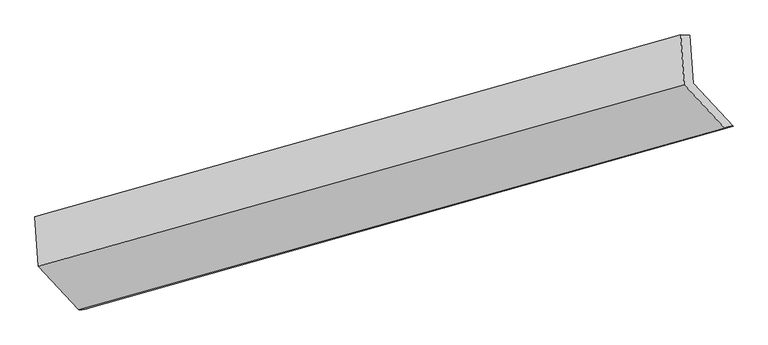
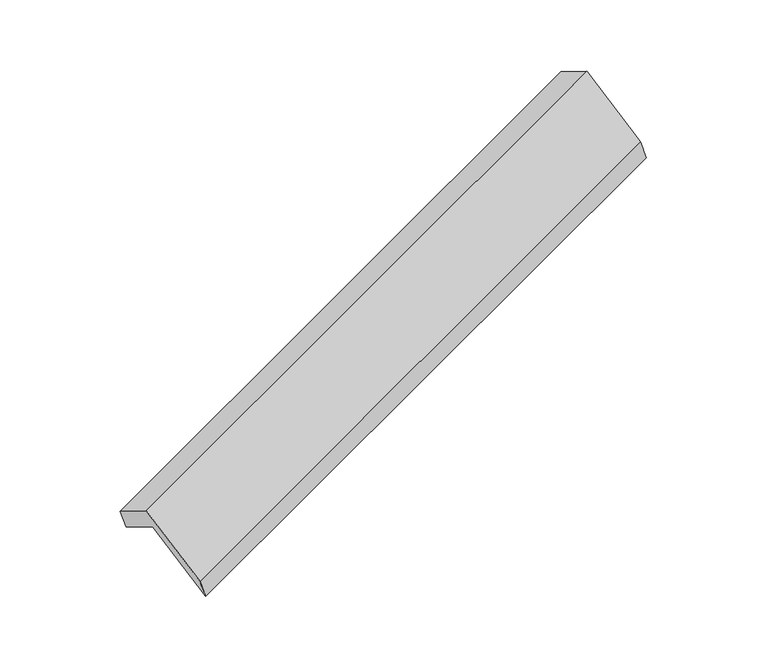
"""IFC4 building model written with IfcOpenShell, lengths in millimetres: proxy geometry."""

from ifc_helpers import new_model, si_unit, frame, origin, place, context, project, spatial, source, transform, mapped, element, save
from ifc_brep_helpers import plane_surface, spline_surface, advanced_brep


def generic_models_4e24a8b9(model_context):
    return source(origin(), model_context, "Body", "AdvancedBrep", [
        advanced_brep(
        [(-5126.9668784, -2138.4851482, 1290.5314928), (-5150.2781744, -1794.1674379, 1088.2872746), (-726.9935988, -564.50399, 2691.7072391), (-704.8478646, -891.6058593, 2883.8392725), (-5207.1217803, -1805.0653447, 1254.9655075), (-788.517987, -562.3819486, 2861.3131379), (-5184.1142498, -2144.8963095, 1454.5743157), (-765.5104565, -902.2129135, 3060.9219461), (-4906.5513531, -2443.7286004, 913.8241179), (-487.9475598, -1201.0452043, 2520.1717483), (-4852.7501365, -2433.7148715, 756.3002998), (-430.6311227, -1186.8355825, 2349.6080795)],
        [
            (0, 1),
            (1, 2),
            (2, 3),
            (3, 0),
            (1, 4),
            (4, 5),
            (5, 2),
            (4, 6),
            (6, 7),
            (7, 5),
            (6, 8),
            (8, 9),
            (9, 7),
            (8, 10),
            (10, 11),
            (11, 9),
            (10, 0),
            (3, 11),
        ],
        [
            plane_surface(frame((-5138.6225264, -1966.3262931, 1189.4093837), z_axis=(0.41167120639252375, -0.440680071966911, -0.7977016309363814), x_axis=(-0.05827808955790422, 0.8607920539994698, -0.5056092404702024))),
            spline_surface(1, 1, [[(-5150.2781744, -1794.1674379, 1088.2872746), (-726.9935988, -564.50399, 2691.7072391)], [(-5207.1217803, -1805.0653447, 1254.9655075), (-788.517987, -562.3819486, 2861.3131379)]], [2, 2], [2, 2], [0.0, 1.0], [0.0, 1.0]),
            plane_surface(frame((-5195.6180151, -1974.9808271, 1354.7699116), z_axis=(-0.4135405129366756, 0.44015552670628433, 0.797024062666859), x_axis=(0.05827808955790514, -0.8607920539994692, 0.5056092404702033))),
            plane_surface(frame((-5045.3328015, -2294.3124549, 1184.1992168), z_axis=(0.05827808955793187, -0.8607920539994669, 0.5056092404702042), x_axis=(0.40980014324342, -0.4412027582008582, -0.7983758317694916))),
            spline_surface(1, 1, [[(-4906.5513531, -2443.7286004, 913.8241179), (-487.9475598, -1201.0452043, 2520.1717483)], [(-4852.7501365, -2433.7148715, 756.3002998), (-430.6311227, -1186.8355825, 2349.6080795)]], [2, 2], [2, 2], [0.0, 1.0], [0.0, 1.0]),
            plane_surface(frame((-4989.8585075, -2286.1000099, 1023.4158963), z_axis=(-0.060149895934499736, 0.8602684806226164, -0.5062806842714068), x_axis=(-0.40980014324342573, 0.44120275820087157, 0.7983758317694812))),
            plane_surface(frame((-650.7414316, -884.7642497, 2727.9269039), z_axis=(0.9103117635596844, 0.25372655739466726, 0.32704025317613095), x_axis=(0.31754842434571884, 0.0787251135516562, -0.9449684411089241))),
            plane_surface(frame((-5071.2970955, -2126.6762854, 1126.4138347), z_axis=(-0.9103117635596838, -0.25372655739467764, -0.32704025317612495), x_axis=(0.40980014324342584, -0.44120275820087157, -0.7983758317694812))),
        ],
        [
            (0, [[1, 2, 3, 4]]),
            (1, [[5, 6, 7, -2]]),
            (2, [[8, 9, 10, -6]]),
            (3, [[11, 12, 13, -9]]),
            (4, [[14, 15, 16, -12]]),
            (5, [[17, -4, 18, -15]]),
            (6, [[-16, -18, -3, -7, -10, -13]]),
            (7, [[-17, -14, -11, -8, -5, -1]]),
        ],
    ),
    ])


if __name__ == "__main__":
    model = new_model("IFC4")
    model_context = context("Model", 3, world=origin())
    ifc_project = project(units=[si_unit("LENGTHUNIT", "METRE", prefix="MILLI")], contexts=[model_context])
    site = spatial("IfcSite", under=ifc_project)
    building = spatial("IfcBuilding", under=site)
    placement = place(None, origin())
    generic_models_shape = generic_models_4e24a8b9(model_context)
    element("IfcBuildingElementProxy", 1, Name="Generic Models", at=placement, inside=building, context=model_context, shape_type="MappedRepresentation", body=[
        mapped(generic_models_shape, transform((0.0, 0.0, 0.0), x_axis=(1.0, 0.0, 0.0), y_axis=(0.0, 1.0, 0.0), z_axis=(0.0, 0.0, 1.0))),
    ])
    save(model, "model.ifc")
